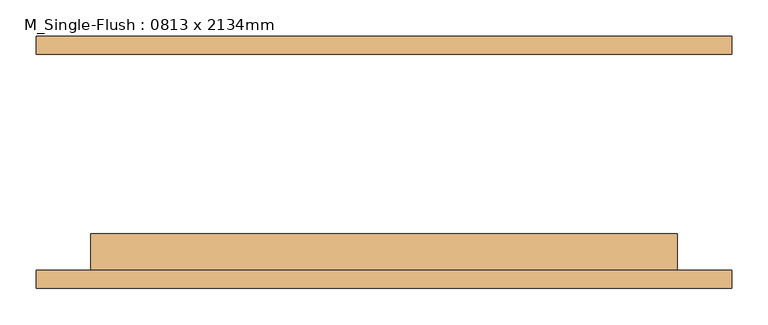
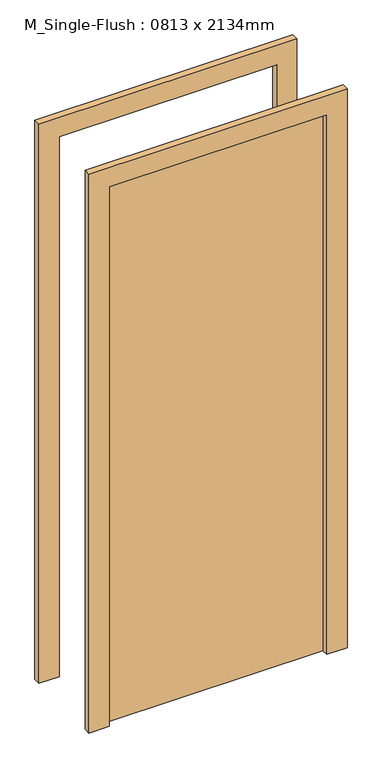
"""IFC4 building model written with IfcOpenShell, lengths in millimetres: door geometry, M_Single-Flush : 0813 x 2134mm."""

from ifc_helpers import new_model, si_unit, frame, origin, origin_with_axes, place, context, project, spatial, polyline, outline, extrude, source, transform, mapped, element, save


def m_single_flush_0813_x_2134mm_52eaa7e5(model_context):
    return source(origin(), model_context, "Body", "SweptSolid", [
        extrude(outline(polyline([(2210.0, -482.5), (0.0, -482.5), (0.0, -406.5), (2134.0, -406.5), (2134.0, 406.5), (0.0, 406.5), (0.0, 482.5), (2210.0, 482.5), (2210.0, -482.5)])), frame((0.0, -175.0, 0.0), z_axis=(0.0, 1.0, 0.0), x_axis=(0.0, 0.0, 1.0)), (0.0, 0.0, 1.0), 25.0),
        extrude(outline(polyline([(2210.0, 482.5), (2210.0, -482.5), (0.0, -482.5), (0.0, -406.5), (2134.0, -406.5), (2134.0, 406.5), (0.0, 406.5), (0.0, 482.5), (2210.0, 482.5)])), frame((0.0, 150.0, 0.0), z_axis=(0.0, 1.0, 0.0), x_axis=(0.0, 0.0, 1.0)), (0.0, 0.0, 1.0), 25.0),
        extrude(outline(polyline([(406.5, -99.0), (406.5, -150.0), (-406.5, -150.0), (-406.5, -99.0), (406.5, -99.0)])), origin_with_axes(), (0.0, 0.0, 1.0), 2134.0),
    ])


if __name__ == "__main__":
    model = new_model("IFC4")
    model_context = context("Model", 3, world=origin())
    ifc_project = project(units=[si_unit("LENGTHUNIT", "METRE", prefix="MILLI")], contexts=[model_context])
    site = spatial("IfcSite", under=ifc_project)
    building = spatial("IfcBuilding", under=site)
    placement = place(None, origin())
    m_single_flush_0813_x_2134mm_shape = m_single_flush_0813_x_2134mm_52eaa7e5(model_context)
    element("IfcDoor", 1, ObjectType="M_Single-Flush : 0813 x 2134mm", at=placement, inside=building, context=model_context, shape_type="MappedRepresentation", body=[
        mapped(m_single_flush_0813_x_2134mm_shape, transform((0.0, 0.0, 0.0), x_axis=(1.0, 0.0, 0.0), y_axis=(0.0, 1.0, 0.0), z_axis=(0.0, 0.0, 1.0))),
    ])
    save(model, "model.ifc")
